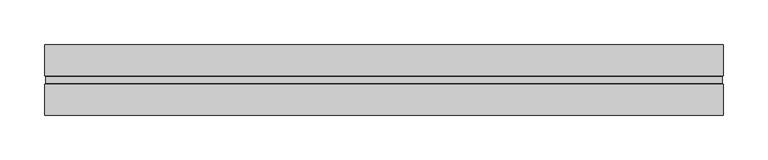
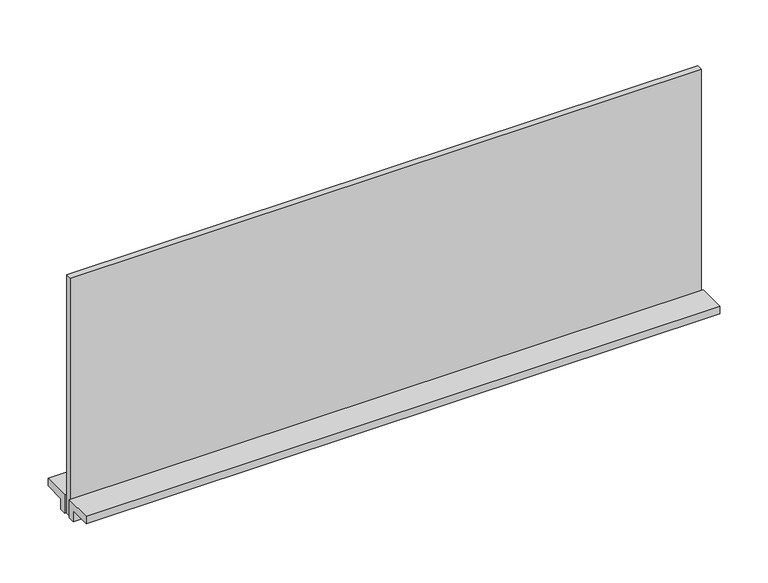
"""IFC4 building model written with IfcOpenShell, lengths in millimetres: furniture geometry."""

from ifc_helpers import new_model, si_unit, frame, origin, place, context, project, spatial, polyline, outline, extrude, source, transform, mapped, element, save


def furniture_d3c0282a(model_context):
    return source(origin(), model_context, "Body", "SweptSolid", [
        extrude(outline(polyline([(12.9619352, 870.966), (12.9619352, 857.377), (4.8339366, 857.377), (4.8339366, 880.491), (39.4795359, 880.491), (39.4795359, 870.966), (12.9619352, 870.966)])), frame((-379.984, 0.0, 0.0), z_axis=(1.0, 0.0, 0.0), x_axis=(0.0, 1.0, 0.0)), (0.0, 0.0, 1.0), 759.9680009),
        extrude(outline(polyline([(-12.9714633, 857.377), (-12.9714633, 870.966), (-39.4890627, 870.966), (-39.4890627, 880.491), (-4.8434625, 880.491), (-4.8434625, 857.377), (-12.9714633, 857.377)])), frame((-379.984, 0.0, 0.0), z_axis=(1.0, 0.0, 0.0), x_axis=(0.0, 1.0, 0.0)), (0.0, 0.0, 1.0), 759.9680009),
        extrude(outline(polyline([(378.587001, 3.652836), (378.587001, -3.662364), (-378.587, -3.662364), (-378.587, 3.652836), (378.587001, 3.652836)])), frame((0.0, 0.0, 857.377), z_axis=(0.0, 0.0, 1.0), x_axis=(1.0, 0.0, 0.0)), (0.0, 0.0, 1.0), 302.514),
    ])


if __name__ == "__main__":
    model = new_model("IFC4")
    model_context = context("Model", 3, world=origin())
    ifc_project = project(units=[si_unit("LENGTHUNIT", "METRE", prefix="MILLI")], contexts=[model_context])
    site = spatial("IfcSite", under=ifc_project)
    building = spatial("IfcBuilding", under=site)
    placement = place(None, origin())
    furniture_shape = furniture_d3c0282a(model_context)
    element("IfcFurniture", 1, at=placement, inside=building, context=model_context, shape_type="MappedRepresentation", body=[
        mapped(furniture_shape, transform((0.0, 0.0, 0.0), x_axis=(1.0, 0.0, 0.0), y_axis=(0.0, 1.0, 0.0), z_axis=(0.0, 0.0, 1.0))),
    ])
    save(model, "model.ifc")
